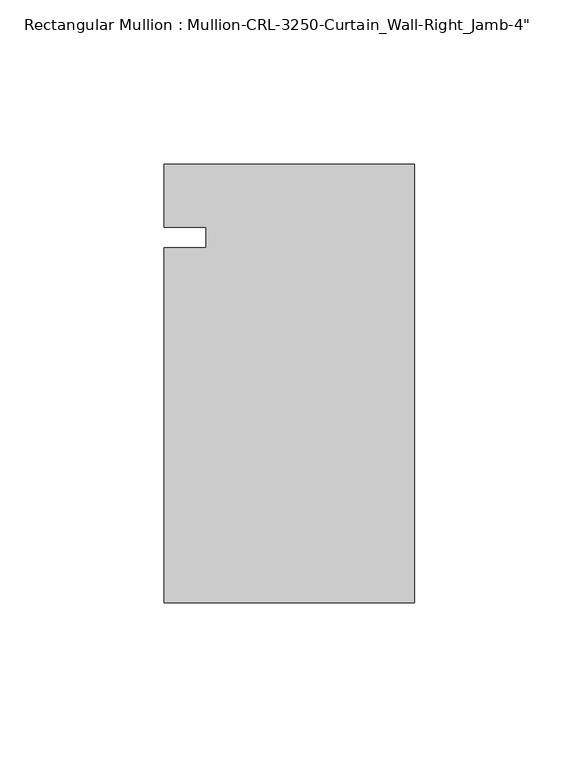
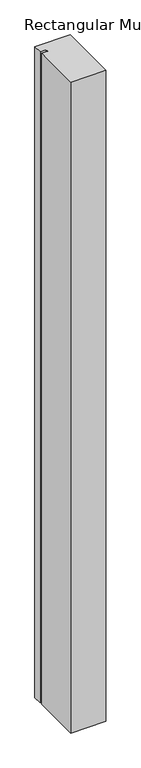
"""IFC4 building model written with IfcOpenShell, lengths in millimetres: member geometry."""

from ifc_helpers import new_model, si_unit, frame, origin, place, context, project, spatial, polyline, outline, extrude, source, transform, mapped, element, save


def member_770039c8(model_context):
    return source(origin(), model_context, "Body", "SweptSolid", [
        extrude(outline(polyline([(0.0, 22.2254168), (0.0, -111.1245832), (-76.199997, -111.1245832), (-76.199997, -3.175), (-63.499997, -3.175), (-63.499997, 3.175), (-76.199997, 3.175), (-76.199997, 22.2254168), (0.0, 22.2254168)])), frame((0.0, 0.0, -1485.9), z_axis=(0.0, 0.0, 1.0), x_axis=(1.0, 0.0, 0.0)), (0.0, 0.0, 1.0), 1485.9),
    ])


if __name__ == "__main__":
    model = new_model("IFC4")
    model_context = context("Model", 3, world=origin())
    ifc_project = project(units=[si_unit("LENGTHUNIT", "METRE", prefix="MILLI")], contexts=[model_context])
    site = spatial("IfcSite", under=ifc_project)
    building = spatial("IfcBuilding", under=site)
    placement = place(None, origin())
    member_shape = member_770039c8(model_context)
    element("IfcMember", 1, ObjectType="Rectangular Mullion : Mullion-CRL-3250-Curtain_Wall-Right_Jamb-4\"", at=placement, inside=building, context=model_context, shape_type="MappedRepresentation", body=[
        mapped(member_shape, transform((0.0, 0.0, 0.0), x_axis=(1.0, 0.0, 0.0), y_axis=(0.0, 1.0, 0.0), z_axis=(0.0, 0.0, 1.0))),
    ])
    save(model, "model.ifc")
